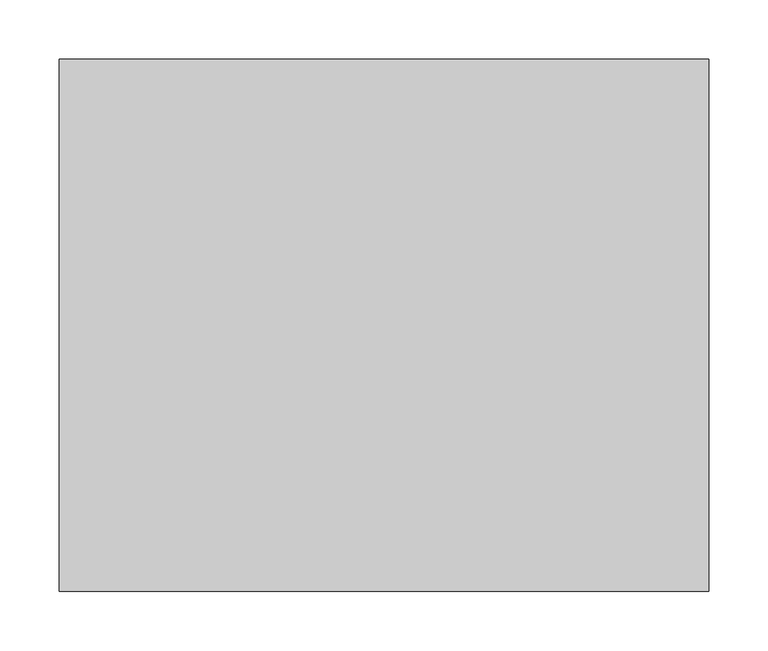
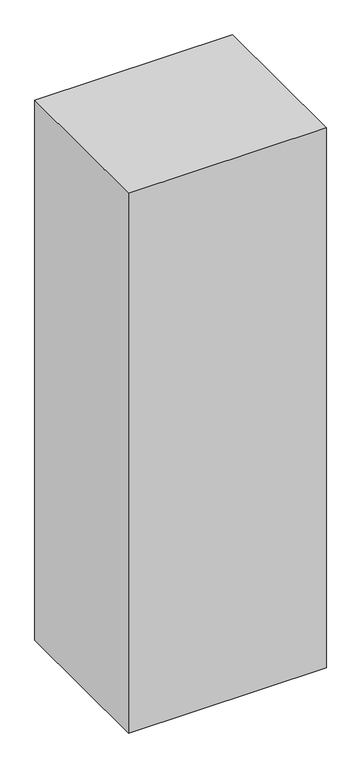
"""IFC4 building model written with IfcOpenShell, lengths in millimetres: proxy geometry."""

import ifcopenshell
import ifcopenshell.guid

model = None  # the IFC model being written
_history = None  # IfcOwnerHistory: only IFC2X3 demands one
_inside = {}  # id of a spatial element -> (the spatial element, [elements in it])
_under = {}  # id of a project, library or spatial element -> (it, [spatial elements below it])
_declared = {}  # id of a project -> (the project, [libraries it declares])
_typed = {}  # id of a type object -> (the type object, [elements of that type])
_made_of = {}  # id of a material, layer set ... -> (it, [elements and type objects made of it])


def new_model(schema):
    """Start an empty IFC model of exactly this schema.

    Asked for "IFC4X3", IfcOpenShell would pick the latest addendum, in which some entities
    have other attributes; the version numbers below select the first issue.
    IFC2X3 requires an IfcOwnerHistory on every rooted entity: one is made here for all.
    """
    global model, _history
    if schema == "IFC4X3":
        model = ifcopenshell.file(schema_version=(4, 3, 0, 0))
    else:
        model = ifcopenshell.file(schema=schema)
    _inside.clear()
    _under.clear()
    _declared.clear()
    _typed.clear()
    _made_of.clear()
    _history = None
    if model.schema == "IFC2X3":
        org = make("IfcOrganization", Name="unknown")
        user = make(
            "IfcPersonAndOrganization",
            ThePerson=make("IfcPerson", FamilyName="unknown"),
            TheOrganization=org,
        )
        app = make(
            "IfcApplication",
            ApplicationDeveloper=org,
            Version="unknown",
            ApplicationFullName="unknown",
            ApplicationIdentifier="unknown",
        )
        _history = make(
            "IfcOwnerHistory",
            OwningUser=user,
            OwningApplication=app,
            ChangeAction="ADDED",
            CreationDate=0,
        )
    return model


def make(cls, **values):
    """One entity of the class cls with the attributes given. An attribute that is None is left unset."""
    return model.create_entity(
        cls, **{name: value for name, value in values.items() if value is not None}
    )


def rooted(cls, **values):
    """An entity with a GlobalId (a new one), such as an element, a storey or a relation."""
    return make(cls, GlobalId=ifcopenshell.guid.new(), OwnerHistory=_history, **values)


def si_unit(unit_type, name, prefix=None):
    """IfcSIUnit, for example si_unit("LENGTHUNIT", "METRE", prefix="MILLI")."""
    return make("IfcSIUnit", UnitType=unit_type, Prefix=prefix, Name=name)


def assignment(units):
    """IfcUnitAssignment: the units of a project."""
    return None if units is None else make("IfcUnitAssignment", Units=units)


def point(xyz):
    """IfcCartesianPoint."""
    return None if xyz is None else make("IfcCartesianPoint", Coordinates=xyz)


def direction(xyz):
    """IfcDirection."""
    return None if xyz is None else make("IfcDirection", DirectionRatios=xyz)


def frame(location, z_axis=None, x_axis=None):
    """IfcAxis2Placement3D, a coordinate frame: its origin and axes. An axis left out is left unset."""
    return make(
        "IfcAxis2Placement3D",
        Location=point(location),
        Axis=direction(z_axis),
        RefDirection=direction(x_axis),
    )


def origin():
    """The frame at (0, 0, 0) with its axes left unset."""
    return frame((0.0, 0.0, 0.0))


def place(relative_to, where):
    """IfcLocalPlacement: puts the frame where relative to a parent placement (None: the world)."""
    return make(
        "IfcLocalPlacement", PlacementRelTo=relative_to, RelativePlacement=where
    )


def context(
    kind, dimensions, precision=None, world=None, true_north=None, identifier=None
):
    """IfcGeometricRepresentationContext, for example the 3D "Model" context."""
    return make(
        "IfcGeometricRepresentationContext",
        ContextIdentifier=identifier,
        ContextType=kind,
        CoordinateSpaceDimension=dimensions,
        Precision=precision,
        WorldCoordinateSystem=world,
        TrueNorth=true_north,
    )


def project(units=None, contexts=None):
    """IfcProject with its units and contexts."""
    return rooted(
        "IfcProject",
        Name="project",
        RepresentationContexts=contexts,
        UnitsInContext=assignment(units),
    )


def spatial(cls, under=None, at=None, **own):
    """A site, building, storey or space (cls), placed at a placement, below another one or the project."""
    s = rooted(cls, ObjectPlacement=at, **own)
    if under is not None:
        _under.setdefault(under.id(), (under, []))[1].append(s)
    return s


def polyline(points):
    """IfcPolyline through the points."""
    return make("IfcPolyline", Points=[point(p) for p in points])


def outline(outer, holes=None, kind="AREA"):
    """IfcArbitraryClosedProfileDef: a profile drawn as a closed curve; with holes, ...WithVoids."""
    if holes is None:
        return make("IfcArbitraryClosedProfileDef", ProfileType=kind, OuterCurve=outer)
    return make(
        "IfcArbitraryProfileDefWithVoids",
        ProfileType=kind,
        OuterCurve=outer,
        InnerCurves=holes,
    )


def extrude(swept, where, along, depth):
    """IfcExtrudedAreaSolid: the profile swept, set in the frame where, extruded along a direction by depth."""
    return make(
        "IfcExtrudedAreaSolid",
        SweptArea=swept,
        Position=where,
        ExtrudedDirection=direction(along),
        Depth=depth,
    )


def shape(context_of_items, identifier, shape_type, items):
    """IfcShapeRepresentation: the items that make up one representation, for example the "Body"."""
    return make(
        "IfcShapeRepresentation",
        ContextOfItems=context_of_items,
        RepresentationIdentifier=identifier,
        RepresentationType=shape_type,
        Items=items,
    )


def source(mapping_origin, context_of_items, identifier, shape_type, items):
    """IfcRepresentationMap: a shape defined once, which mapped items show again and again."""
    return make(
        "IfcRepresentationMap",
        MappingOrigin=mapping_origin,
        MappedRepresentation=shape(context_of_items, identifier, shape_type, items),
    )


def transform(
    local_origin,
    x_axis=None,
    y_axis=None,
    z_axis=None,
    scale=None,
    scale2=None,
    scale3=None,
    uniform=True,
):
    """IfcCartesianTransformationOperator3D, or its non-uniform kind. x_axis, y_axis, z_axis: its Axis1, 2, 3."""
    if uniform:
        return make(
            "IfcCartesianTransformationOperator3D",
            Axis1=direction(x_axis),
            Axis2=direction(y_axis),
            LocalOrigin=point(local_origin),
            Scale=scale,
            Axis3=direction(z_axis),
        )
    return make(
        "IfcCartesianTransformationOperator3DnonUniform",
        Axis1=direction(x_axis),
        Axis2=direction(y_axis),
        LocalOrigin=point(local_origin),
        Scale=scale,
        Axis3=direction(z_axis),
        Scale2=scale2,
        Scale3=scale3,
    )


def mapped(mapping_source, mapping_target):
    """IfcMappedItem: shows the shape of a source again, moved by a transform."""
    return make(
        "IfcMappedItem", MappingSource=mapping_source, MappingTarget=mapping_target
    )


def made_of(thing, what):
    """Note that an element or type object is made of a material, layer set ...; save() writes the relation."""
    if what is not None:
        _made_of.setdefault(what.id(), (what, []))[1].append(thing)
    return thing


def element(
    cls,
    number,
    at=None,
    inside=None,
    cuts=None,
    type_object=None,
    material=None,
    context=None,
    identifier="Body",
    shape_type=None,
    held_by="IfcProductDefinitionShape",
    body=None,
    shapes=None,
    **own,
):
    """One element of the class cls, such as IfcWall. Its Tag is "e" and its number.

    at: its placement. inside: the storey or other place that contains it. cuts: it is an
    opening in that element (IfcRelVoidsElement). A single representation is given by context,
    identifier, shape_type and body (its items); several are given by shapes. held_by: the class
    of the entity that holds the representations. save() writes the other relations.
    """
    e = rooted(cls, Tag="e%d" % number, ObjectPlacement=at, **own)
    if body is not None:
        shapes = [shape(context, identifier, shape_type, body)]
    if shapes is not None:
        e.Representation = make(held_by, Representations=shapes)
    if inside is not None:
        _inside.setdefault(inside.id(), (inside, []))[1].append(e)
    if cuts is not None:
        rooted(
            "IfcRelVoidsElement", RelatingBuildingElement=cuts, RelatedOpeningElement=e
        )
    if type_object is not None:
        _typed.setdefault(type_object.id(), (type_object, []))[1].append(e)
    return made_of(e, material)


def aggregate(whole, parts):
    """IfcRelAggregates: a whole, such as a stair, and the parts it consists of."""
    return rooted("IfcRelAggregates", RelatingObject=whole, RelatedObjects=parts)


def save(model, path):
    """Write the relations noted so far, then the file.

    IfcRelAggregates (storeys below a building ...), IfcRelContainedInSpatialStructure (elements
    in a storey), IfcRelDefinesByType, IfcRelAssociatesMaterial and IfcRelDeclares: one each for
    every whole, place, type object, material and project.
    """
    for whole, parts in _under.values():
        aggregate(whole, parts)
    for where, things in _inside.values():
        rooted(
            "IfcRelContainedInSpatialStructure",
            RelatedElements=things,
            RelatingStructure=where,
        )
    for kind, things in _typed.values():
        rooted("IfcRelDefinesByType", RelatedObjects=things, RelatingType=kind)
    for what, things in _made_of.values():
        rooted("IfcRelAssociatesMaterial", RelatedObjects=things, RelatingMaterial=what)
    for by, libraries in _declared.values():
        rooted("IfcRelDeclares", RelatingContext=by, RelatedDefinitions=libraries)
    model.write(path)


def specialty_equipment_ac8755dc(model_context):
    return source(origin(), model_context, "Body", "SweptSolid", [
        extrude(outline(polyline([(548.64, -101.6), (548.64, -551.18), (0.0, -551.18), (0.0, -101.6), (548.64, -101.6)])), frame((0.0, 0.0, 19.05), z_axis=(0.0, 0.0, 1.0), x_axis=(1.0, 0.0, 0.0)), (0.0, 0.0, 1.0), 1581.15),
    ])


if __name__ == "__main__":
    model = new_model("IFC4")
    model_context = context("Model", 3, world=origin())
    ifc_project = project(units=[si_unit("LENGTHUNIT", "METRE", prefix="MILLI")], contexts=[model_context])
    site = spatial("IfcSite", under=ifc_project)
    building = spatial("IfcBuilding", under=site)
    placement = place(None, origin())
    specialty_equipment_shape = specialty_equipment_ac8755dc(model_context)
    element("IfcBuildingElementProxy", 1, Name="Specialty Equipment", at=placement, inside=building, context=model_context, shape_type="MappedRepresentation", body=[
        mapped(specialty_equipment_shape, transform((0.0, 0.0, 0.0), x_axis=(1.0, 0.0, 0.0), y_axis=(0.0, 1.0, 0.0), z_axis=(0.0, 0.0, 1.0))),
    ])
    save(model, "model.ifc")
